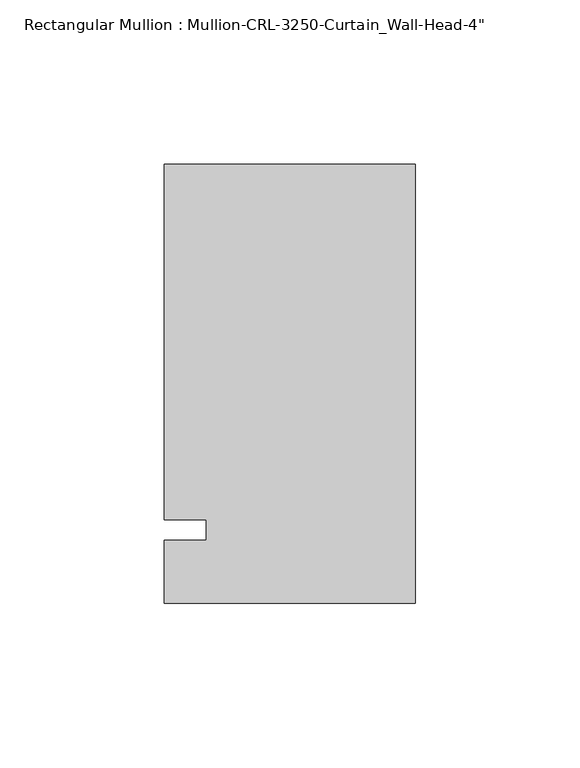
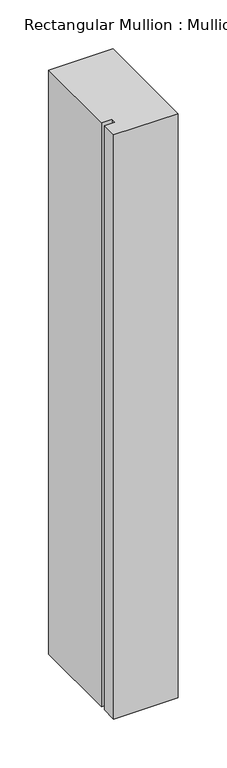
"""IFC4 building model written with IfcOpenShell, lengths in millimetres: member geometry."""

from ifc_helpers import new_model, si_unit, frame, origin, place, context, project, spatial, polyline, outline, extrude, source, transform, mapped, element, save


def member_9cbce23f(model_context):
    return source(origin(), model_context, "Body", "SweptSolid", [
        extrude(outline(polyline([(0.0, -22.2254168), (-76.199997, -22.2254168), (-76.199997, -3.175), (-63.499997, -3.175), (-63.499997, 3.175), (-76.199997, 3.175), (-76.199997, 111.1245832), (0.0, 111.1245832), (0.0, -22.2254168)])), frame((0.0, 0.0, -730.0666715), z_axis=(0.0, 0.0, 1.0), x_axis=(1.0, 0.0, 0.0)), (0.0, 0.0, 1.0), 730.0666715),
    ])


if __name__ == "__main__":
    model = new_model("IFC4")
    model_context = context("Model", 3, world=origin())
    ifc_project = project(units=[si_unit("LENGTHUNIT", "METRE", prefix="MILLI")], contexts=[model_context])
    site = spatial("IfcSite", under=ifc_project)
    building = spatial("IfcBuilding", under=site)
    placement = place(None, origin())
    member_shape = member_9cbce23f(model_context)
    element("IfcMember", 1, ObjectType="Rectangular Mullion : Mullion-CRL-3250-Curtain_Wall-Head-4\"", at=placement, inside=building, context=model_context, shape_type="MappedRepresentation", body=[
        mapped(member_shape, transform((0.0, 0.0, 0.0), x_axis=(1.0, 0.0, 0.0), y_axis=(0.0, 1.0, 0.0), z_axis=(0.0, 0.0, 1.0))),
    ])
    save(model, "model.ifc")
